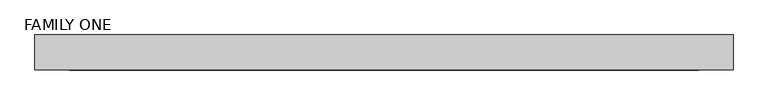
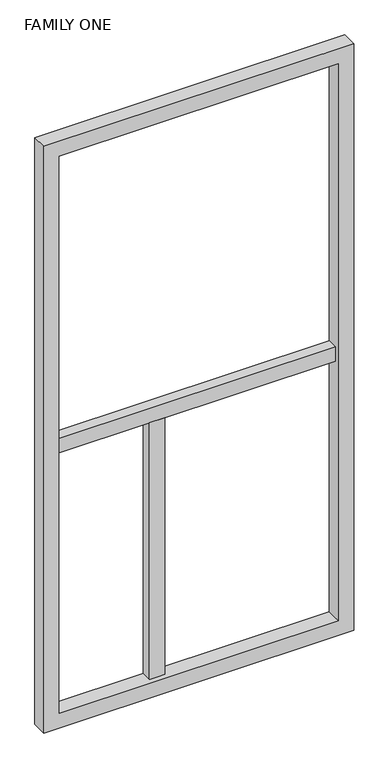
"""IFC4 building model written with IfcOpenShell, lengths in millimetres: proxy geometry, FAMILY ONE."""

import ifcopenshell
import ifcopenshell.guid

model = None  # the IFC model being written
_history = None  # IfcOwnerHistory: only IFC2X3 demands one
_inside = {}  # id of a spatial element -> (the spatial element, [elements in it])
_under = {}  # id of a project, library or spatial element -> (it, [spatial elements below it])
_declared = {}  # id of a project -> (the project, [libraries it declares])
_typed = {}  # id of a type object -> (the type object, [elements of that type])
_made_of = {}  # id of a material, layer set ... -> (it, [elements and type objects made of it])


def new_model(schema):
    """Start an empty IFC model of exactly this schema.

    Asked for "IFC4X3", IfcOpenShell would pick the latest addendum, in which some entities
    have other attributes; the version numbers below select the first issue.
    IFC2X3 requires an IfcOwnerHistory on every rooted entity: one is made here for all.
    """
    global model, _history
    if schema == "IFC4X3":
        model = ifcopenshell.file(schema_version=(4, 3, 0, 0))
    else:
        model = ifcopenshell.file(schema=schema)
    _inside.clear()
    _under.clear()
    _declared.clear()
    _typed.clear()
    _made_of.clear()
    _history = None
    if model.schema == "IFC2X3":
        org = make("IfcOrganization", Name="unknown")
        user = make(
            "IfcPersonAndOrganization",
            ThePerson=make("IfcPerson", FamilyName="unknown"),
            TheOrganization=org,
        )
        app = make(
            "IfcApplication",
            ApplicationDeveloper=org,
            Version="unknown",
            ApplicationFullName="unknown",
            ApplicationIdentifier="unknown",
        )
        _history = make(
            "IfcOwnerHistory",
            OwningUser=user,
            OwningApplication=app,
            ChangeAction="ADDED",
            CreationDate=0,
        )
    return model


def make(cls, **values):
    """One entity of the class cls with the attributes given. An attribute that is None is left unset."""
    return model.create_entity(
        cls, **{name: value for name, value in values.items() if value is not None}
    )


def rooted(cls, **values):
    """An entity with a GlobalId (a new one), such as an element, a storey or a relation."""
    return make(cls, GlobalId=ifcopenshell.guid.new(), OwnerHistory=_history, **values)


def si_unit(unit_type, name, prefix=None):
    """IfcSIUnit, for example si_unit("LENGTHUNIT", "METRE", prefix="MILLI")."""
    return make("IfcSIUnit", UnitType=unit_type, Prefix=prefix, Name=name)


def assignment(units):
    """IfcUnitAssignment: the units of a project."""
    return None if units is None else make("IfcUnitAssignment", Units=units)


def point(xyz):
    """IfcCartesianPoint."""
    return None if xyz is None else make("IfcCartesianPoint", Coordinates=xyz)


def direction(xyz):
    """IfcDirection."""
    return None if xyz is None else make("IfcDirection", DirectionRatios=xyz)


def frame(location, z_axis=None, x_axis=None):
    """IfcAxis2Placement3D, a coordinate frame: its origin and axes. An axis left out is left unset."""
    return make(
        "IfcAxis2Placement3D",
        Location=point(location),
        Axis=direction(z_axis),
        RefDirection=direction(x_axis),
    )


def origin():
    """The frame at (0, 0, 0) with its axes left unset."""
    return frame((0.0, 0.0, 0.0))


def place(relative_to, where):
    """IfcLocalPlacement: puts the frame where relative to a parent placement (None: the world)."""
    return make(
        "IfcLocalPlacement", PlacementRelTo=relative_to, RelativePlacement=where
    )


def context(
    kind, dimensions, precision=None, world=None, true_north=None, identifier=None
):
    """IfcGeometricRepresentationContext, for example the 3D "Model" context."""
    return make(
        "IfcGeometricRepresentationContext",
        ContextIdentifier=identifier,
        ContextType=kind,
        CoordinateSpaceDimension=dimensions,
        Precision=precision,
        WorldCoordinateSystem=world,
        TrueNorth=true_north,
    )


def project(units=None, contexts=None):
    """IfcProject with its units and contexts."""
    return rooted(
        "IfcProject",
        Name="project",
        RepresentationContexts=contexts,
        UnitsInContext=assignment(units),
    )


def spatial(cls, under=None, at=None, **own):
    """A site, building, storey or space (cls), placed at a placement, below another one or the project."""
    s = rooted(cls, ObjectPlacement=at, **own)
    if under is not None:
        _under.setdefault(under.id(), (under, []))[1].append(s)
    return s


def polyline(points):
    """IfcPolyline through the points."""
    return make("IfcPolyline", Points=[point(p) for p in points])


def outline(outer, holes=None, kind="AREA"):
    """IfcArbitraryClosedProfileDef: a profile drawn as a closed curve; with holes, ...WithVoids."""
    if holes is None:
        return make("IfcArbitraryClosedProfileDef", ProfileType=kind, OuterCurve=outer)
    return make(
        "IfcArbitraryProfileDefWithVoids",
        ProfileType=kind,
        OuterCurve=outer,
        InnerCurves=holes,
    )


def extrude(swept, where, along, depth):
    """IfcExtrudedAreaSolid: the profile swept, set in the frame where, extruded along a direction by depth."""
    return make(
        "IfcExtrudedAreaSolid",
        SweptArea=swept,
        Position=where,
        ExtrudedDirection=direction(along),
        Depth=depth,
    )


def shape(context_of_items, identifier, shape_type, items):
    """IfcShapeRepresentation: the items that make up one representation, for example the "Body"."""
    return make(
        "IfcShapeRepresentation",
        ContextOfItems=context_of_items,
        RepresentationIdentifier=identifier,
        RepresentationType=shape_type,
        Items=items,
    )


def source(mapping_origin, context_of_items, identifier, shape_type, items):
    """IfcRepresentationMap: a shape defined once, which mapped items show again and again."""
    return make(
        "IfcRepresentationMap",
        MappingOrigin=mapping_origin,
        MappedRepresentation=shape(context_of_items, identifier, shape_type, items),
    )


def transform(
    local_origin,
    x_axis=None,
    y_axis=None,
    z_axis=None,
    scale=None,
    scale2=None,
    scale3=None,
    uniform=True,
):
    """IfcCartesianTransformationOperator3D, or its non-uniform kind. x_axis, y_axis, z_axis: its Axis1, 2, 3."""
    if uniform:
        return make(
            "IfcCartesianTransformationOperator3D",
            Axis1=direction(x_axis),
            Axis2=direction(y_axis),
            LocalOrigin=point(local_origin),
            Scale=scale,
            Axis3=direction(z_axis),
        )
    return make(
        "IfcCartesianTransformationOperator3DnonUniform",
        Axis1=direction(x_axis),
        Axis2=direction(y_axis),
        LocalOrigin=point(local_origin),
        Scale=scale,
        Axis3=direction(z_axis),
        Scale2=scale2,
        Scale3=scale3,
    )


def mapped(mapping_source, mapping_target):
    """IfcMappedItem: shows the shape of a source again, moved by a transform."""
    return make(
        "IfcMappedItem", MappingSource=mapping_source, MappingTarget=mapping_target
    )


def made_of(thing, what):
    """Note that an element or type object is made of a material, layer set ...; save() writes the relation."""
    if what is not None:
        _made_of.setdefault(what.id(), (what, []))[1].append(thing)
    return thing


def element(
    cls,
    number,
    at=None,
    inside=None,
    cuts=None,
    type_object=None,
    material=None,
    context=None,
    identifier="Body",
    shape_type=None,
    held_by="IfcProductDefinitionShape",
    body=None,
    shapes=None,
    **own,
):
    """One element of the class cls, such as IfcWall. Its Tag is "e" and its number.

    at: its placement. inside: the storey or other place that contains it. cuts: it is an
    opening in that element (IfcRelVoidsElement). A single representation is given by context,
    identifier, shape_type and body (its items); several are given by shapes. held_by: the class
    of the entity that holds the representations. save() writes the other relations.
    """
    e = rooted(cls, Tag="e%d" % number, ObjectPlacement=at, **own)
    if body is not None:
        shapes = [shape(context, identifier, shape_type, body)]
    if shapes is not None:
        e.Representation = make(held_by, Representations=shapes)
    if inside is not None:
        _inside.setdefault(inside.id(), (inside, []))[1].append(e)
    if cuts is not None:
        rooted(
            "IfcRelVoidsElement", RelatingBuildingElement=cuts, RelatedOpeningElement=e
        )
    if type_object is not None:
        _typed.setdefault(type_object.id(), (type_object, []))[1].append(e)
    return made_of(e, material)


def aggregate(whole, parts):
    """IfcRelAggregates: a whole, such as a stair, and the parts it consists of."""
    return rooted("IfcRelAggregates", RelatingObject=whole, RelatedObjects=parts)


def save(model, path):
    """Write the relations noted so far, then the file.

    IfcRelAggregates (storeys below a building ...), IfcRelContainedInSpatialStructure (elements
    in a storey), IfcRelDefinesByType, IfcRelAssociatesMaterial and IfcRelDeclares: one each for
    every whole, place, type object, material and project.
    """
    for whole, parts in _under.values():
        aggregate(whole, parts)
    for where, things in _inside.values():
        rooted(
            "IfcRelContainedInSpatialStructure",
            RelatedElements=things,
            RelatingStructure=where,
        )
    for kind, things in _typed.values():
        rooted("IfcRelDefinesByType", RelatedObjects=things, RelatingType=kind)
    for what, things in _made_of.values():
        rooted("IfcRelAssociatesMaterial", RelatedObjects=things, RelatingMaterial=what)
    for by, libraries in _declared.values():
        rooted("IfcRelDeclares", RelatingContext=by, RelatedDefinitions=libraries)
    model.write(path)


def family_one_7a10a16c(model_context):
    return source(origin(), model_context, "Body", "SweptSolid", [
        extrude(outline(polyline([(533.4, 76.2), (609.6, 76.2), (609.6, 25.4), (533.4, 25.4), (533.4, 76.2)])), frame((0.0, 0.0, 76.2), z_axis=(0.0, 0.0, 1.0), x_axis=(1.0, 0.0, 0.0)), (0.0, 0.0, 1.0), 1333.5),
        extrude(outline(polyline([(76.2, 76.2), (1447.8, 76.2), (1447.8, 25.4), (76.2, 25.4), (76.2, 76.2)])), frame((0.0, 0.0, 1409.7), z_axis=(0.0, 0.0, 1.0), x_axis=(1.0, 0.0, 0.0)), (0.0, 0.0, 1.0), 76.2),
        extrude(outline(polyline([(0.0, 0.0), (0.0, 1524.0), (3048.0, 1524.0), (3048.0, 0.0), (0.0, 0.0)]), holes=[polyline([(76.2, 76.2), (2971.8, 76.2), (2971.8, 1447.8), (76.2, 1447.8), (76.2, 76.2)])]), frame((0.0, 0.0, 0.0), z_axis=(0.0, 1.0, 0.0), x_axis=(0.0, 0.0, 1.0)), (0.0, 0.0, 1.0), 76.2),
    ])


if __name__ == "__main__":
    model = new_model("IFC4")
    model_context = context("Model", 3, world=origin())
    ifc_project = project(units=[si_unit("LENGTHUNIT", "METRE", prefix="MILLI")], contexts=[model_context])
    site = spatial("IfcSite", under=ifc_project)
    building = spatial("IfcBuilding", under=site)
    placement = place(None, origin())
    family_one_shape = family_one_7a10a16c(model_context)
    element("IfcBuildingElementProxy", 1, Name="FAMILY ONE", ObjectType="FAMILY ONE", at=placement, inside=building, context=model_context, shape_type="MappedRepresentation", body=[
        mapped(family_one_shape, transform((0.0, 0.0, 0.0), x_axis=(1.0, 0.0, 0.0), y_axis=(0.0, 1.0, 0.0), z_axis=(0.0, 0.0, 1.0))),
    ])
    save(model, "model.ifc")
